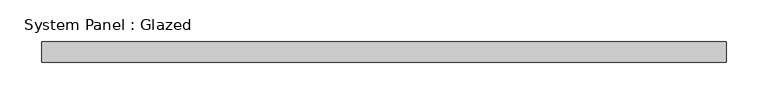
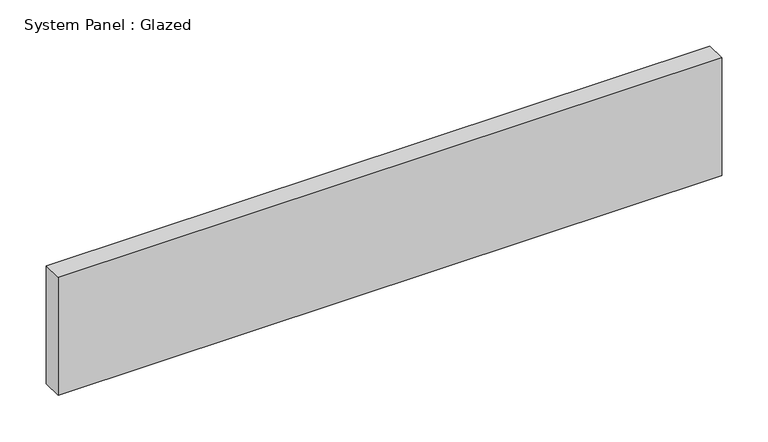
"""IFC4 building model written with IfcOpenShell, lengths in millimetres: plate geometry, System Panel : Glazed."""

from ifc_helpers import new_model, si_unit, origin, origin_with_axes, place, context, project, spatial, polyline, outline, extrude, source, transform, mapped, element, save


def system_panel_glazed_07ed50e3(model_context):
    return source(origin(), model_context, "Body", "SweptSolid", [
        extrude(outline(polyline([(412.5, 24.5), (-412.5, 24.5), (-412.5, 49.5), (412.5, 49.5), (412.5, 24.5)])), origin_with_axes(), (0.0, 0.0, 1.0), 155.0),
    ])


if __name__ == "__main__":
    model = new_model("IFC4")
    model_context = context("Model", 3, world=origin())
    ifc_project = project(units=[si_unit("LENGTHUNIT", "METRE", prefix="MILLI")], contexts=[model_context])
    site = spatial("IfcSite", under=ifc_project)
    building = spatial("IfcBuilding", under=site)
    placement = place(None, origin())
    system_panel_glazed_shape = system_panel_glazed_07ed50e3(model_context)
    element("IfcPlate", 1, ObjectType="System Panel : Glazed", at=placement, inside=building, context=model_context, shape_type="MappedRepresentation", body=[
        mapped(system_panel_glazed_shape, transform((0.0, 0.0, 0.0), x_axis=(1.0, 0.0, 0.0), y_axis=(0.0, 1.0, 0.0), z_axis=(0.0, 0.0, 1.0))),
    ])
    save(model, "model.ifc")
